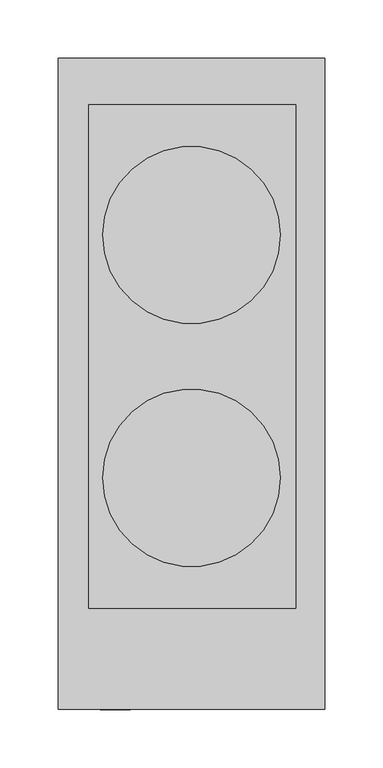
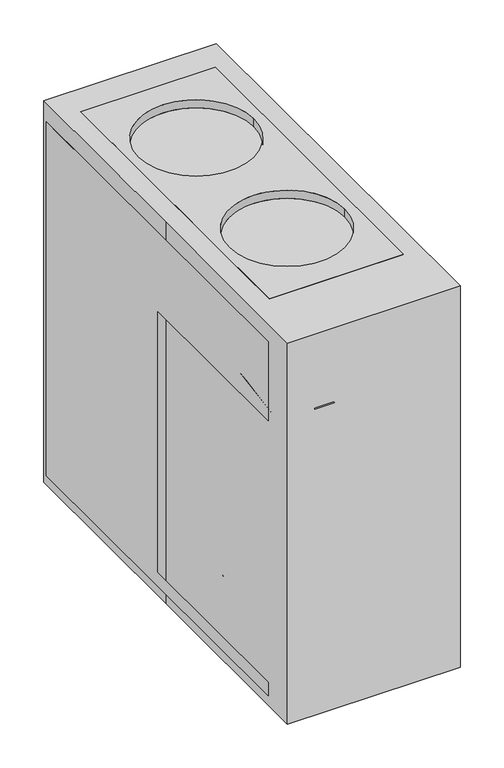
"""IFC4 building model written with IfcOpenShell, lengths in millimetres: proxy geometry."""

import ifcopenshell
import ifcopenshell.guid

model = None  # the IFC model being written
_history = None  # IfcOwnerHistory: only IFC2X3 demands one
_inside = {}  # id of a spatial element -> (the spatial element, [elements in it])
_under = {}  # id of a project, library or spatial element -> (it, [spatial elements below it])
_declared = {}  # id of a project -> (the project, [libraries it declares])
_typed = {}  # id of a type object -> (the type object, [elements of that type])
_made_of = {}  # id of a material, layer set ... -> (it, [elements and type objects made of it])


def new_model(schema):
    """Start an empty IFC model of exactly this schema.

    Asked for "IFC4X3", IfcOpenShell would pick the latest addendum, in which some entities
    have other attributes; the version numbers below select the first issue.
    IFC2X3 requires an IfcOwnerHistory on every rooted entity: one is made here for all.
    """
    global model, _history
    if schema == "IFC4X3":
        model = ifcopenshell.file(schema_version=(4, 3, 0, 0))
    else:
        model = ifcopenshell.file(schema=schema)
    _inside.clear()
    _under.clear()
    _declared.clear()
    _typed.clear()
    _made_of.clear()
    _history = None
    if model.schema == "IFC2X3":
        org = make("IfcOrganization", Name="unknown")
        user = make(
            "IfcPersonAndOrganization",
            ThePerson=make("IfcPerson", FamilyName="unknown"),
            TheOrganization=org,
        )
        app = make(
            "IfcApplication",
            ApplicationDeveloper=org,
            Version="unknown",
            ApplicationFullName="unknown",
            ApplicationIdentifier="unknown",
        )
        _history = make(
            "IfcOwnerHistory",
            OwningUser=user,
            OwningApplication=app,
            ChangeAction="ADDED",
            CreationDate=0,
        )
    return model


def make(cls, **values):
    """One entity of the class cls with the attributes given. An attribute that is None is left unset."""
    return model.create_entity(
        cls, **{name: value for name, value in values.items() if value is not None}
    )


def rooted(cls, **values):
    """An entity with a GlobalId (a new one), such as an element, a storey or a relation."""
    return make(cls, GlobalId=ifcopenshell.guid.new(), OwnerHistory=_history, **values)


def si_unit(unit_type, name, prefix=None):
    """IfcSIUnit, for example si_unit("LENGTHUNIT", "METRE", prefix="MILLI")."""
    return make("IfcSIUnit", UnitType=unit_type, Prefix=prefix, Name=name)


def assignment(units):
    """IfcUnitAssignment: the units of a project."""
    return None if units is None else make("IfcUnitAssignment", Units=units)


def point(xyz):
    """IfcCartesianPoint."""
    return None if xyz is None else make("IfcCartesianPoint", Coordinates=xyz)


def direction(xyz):
    """IfcDirection."""
    return None if xyz is None else make("IfcDirection", DirectionRatios=xyz)


def frame(location, z_axis=None, x_axis=None):
    """IfcAxis2Placement3D, a coordinate frame: its origin and axes. An axis left out is left unset."""
    return make(
        "IfcAxis2Placement3D",
        Location=point(location),
        Axis=direction(z_axis),
        RefDirection=direction(x_axis),
    )


def frame_2d(location, x_axis=None):
    """IfcAxis2Placement2D, a coordinate frame in the plane: its origin and x axis."""
    return make(
        "IfcAxis2Placement2D", Location=point(location), RefDirection=direction(x_axis)
    )


def origin():
    """The frame at (0, 0, 0) with its axes left unset."""
    return frame((0.0, 0.0, 0.0))


def origin_with_axes():
    """The frame at (0, 0, 0) with the z axis (0, 0, 1) and the x axis (1, 0, 0) written out."""
    return frame((0.0, 0.0, 0.0), z_axis=(0.0, 0.0, 1.0), x_axis=(1.0, 0.0, 0.0))


def place(relative_to, where):
    """IfcLocalPlacement: puts the frame where relative to a parent placement (None: the world)."""
    return make(
        "IfcLocalPlacement", PlacementRelTo=relative_to, RelativePlacement=where
    )


def context(
    kind, dimensions, precision=None, world=None, true_north=None, identifier=None
):
    """IfcGeometricRepresentationContext, for example the 3D "Model" context."""
    return make(
        "IfcGeometricRepresentationContext",
        ContextIdentifier=identifier,
        ContextType=kind,
        CoordinateSpaceDimension=dimensions,
        Precision=precision,
        WorldCoordinateSystem=world,
        TrueNorth=true_north,
    )


def project(units=None, contexts=None):
    """IfcProject with its units and contexts."""
    return rooted(
        "IfcProject",
        Name="project",
        RepresentationContexts=contexts,
        UnitsInContext=assignment(units),
    )


def spatial(cls, under=None, at=None, **own):
    """A site, building, storey or space (cls), placed at a placement, below another one or the project."""
    s = rooted(cls, ObjectPlacement=at, **own)
    if under is not None:
        _under.setdefault(under.id(), (under, []))[1].append(s)
    return s


def polyline(points):
    """IfcPolyline through the points."""
    return make("IfcPolyline", Points=[point(p) for p in points])


def circle_curve(where, radius):
    """IfcCircle in the frame where."""
    return make("IfcCircle", Position=where, Radius=radius)


def ellipse_curve(where, semi_axis1, semi_axis2):
    """IfcEllipse in the frame where."""
    return make(
        "IfcEllipse", Position=where, SemiAxis1=semi_axis1, SemiAxis2=semi_axis2
    )


def trimmed(basis, trim1, trim2, sense, master):
    """IfcTrimmedCurve: the piece of a basis curve between two trims."""
    return make(
        "IfcTrimmedCurve",
        BasisCurve=basis,
        Trim1=trim1,
        Trim2=trim2,
        SenseAgreement=sense,
        MasterRepresentation=master,
    )


def segment(curve, same_sense, transition):
    """IfcCompositeCurveSegment."""
    return make(
        "IfcCompositeCurveSegment",
        Transition=transition,
        SameSense=same_sense,
        ParentCurve=curve,
    )


def composite_curve(segments, self_intersect=None):
    """IfcCompositeCurve: segments joined end to end."""
    return make("IfcCompositeCurve", Segments=segments, SelfIntersect=self_intersect)


def outline(outer, holes=None, kind="AREA"):
    """IfcArbitraryClosedProfileDef: a profile drawn as a closed curve; with holes, ...WithVoids."""
    if holes is None:
        return make("IfcArbitraryClosedProfileDef", ProfileType=kind, OuterCurve=outer)
    return make(
        "IfcArbitraryProfileDefWithVoids",
        ProfileType=kind,
        OuterCurve=outer,
        InnerCurves=holes,
    )


def extrude(swept, where, along, depth):
    """IfcExtrudedAreaSolid: the profile swept, set in the frame where, extruded along a direction by depth."""
    return make(
        "IfcExtrudedAreaSolid",
        SweptArea=swept,
        Position=where,
        ExtrudedDirection=direction(along),
        Depth=depth,
    )


def shape(context_of_items, identifier, shape_type, items):
    """IfcShapeRepresentation: the items that make up one representation, for example the "Body"."""
    return make(
        "IfcShapeRepresentation",
        ContextOfItems=context_of_items,
        RepresentationIdentifier=identifier,
        RepresentationType=shape_type,
        Items=items,
    )


def source(mapping_origin, context_of_items, identifier, shape_type, items):
    """IfcRepresentationMap: a shape defined once, which mapped items show again and again."""
    return make(
        "IfcRepresentationMap",
        MappingOrigin=mapping_origin,
        MappedRepresentation=shape(context_of_items, identifier, shape_type, items),
    )


def transform(
    local_origin,
    x_axis=None,
    y_axis=None,
    z_axis=None,
    scale=None,
    scale2=None,
    scale3=None,
    uniform=True,
):
    """IfcCartesianTransformationOperator3D, or its non-uniform kind. x_axis, y_axis, z_axis: its Axis1, 2, 3."""
    if uniform:
        return make(
            "IfcCartesianTransformationOperator3D",
            Axis1=direction(x_axis),
            Axis2=direction(y_axis),
            LocalOrigin=point(local_origin),
            Scale=scale,
            Axis3=direction(z_axis),
        )
    return make(
        "IfcCartesianTransformationOperator3DnonUniform",
        Axis1=direction(x_axis),
        Axis2=direction(y_axis),
        LocalOrigin=point(local_origin),
        Scale=scale,
        Axis3=direction(z_axis),
        Scale2=scale2,
        Scale3=scale3,
    )


def mapped(mapping_source, mapping_target):
    """IfcMappedItem: shows the shape of a source again, moved by a transform."""
    return make(
        "IfcMappedItem", MappingSource=mapping_source, MappingTarget=mapping_target
    )


def made_of(thing, what):
    """Note that an element or type object is made of a material, layer set ...; save() writes the relation."""
    if what is not None:
        _made_of.setdefault(what.id(), (what, []))[1].append(thing)
    return thing


def element(
    cls,
    number,
    at=None,
    inside=None,
    cuts=None,
    type_object=None,
    material=None,
    context=None,
    identifier="Body",
    shape_type=None,
    held_by="IfcProductDefinitionShape",
    body=None,
    shapes=None,
    **own,
):
    """One element of the class cls, such as IfcWall. Its Tag is "e" and its number.

    at: its placement. inside: the storey or other place that contains it. cuts: it is an
    opening in that element (IfcRelVoidsElement). A single representation is given by context,
    identifier, shape_type and body (its items); several are given by shapes. held_by: the class
    of the entity that holds the representations. save() writes the other relations.
    """
    e = rooted(cls, Tag="e%d" % number, ObjectPlacement=at, **own)
    if body is not None:
        shapes = [shape(context, identifier, shape_type, body)]
    if shapes is not None:
        e.Representation = make(held_by, Representations=shapes)
    if inside is not None:
        _inside.setdefault(inside.id(), (inside, []))[1].append(e)
    if cuts is not None:
        rooted(
            "IfcRelVoidsElement", RelatingBuildingElement=cuts, RelatedOpeningElement=e
        )
    if type_object is not None:
        _typed.setdefault(type_object.id(), (type_object, []))[1].append(e)
    return made_of(e, material)


def aggregate(whole, parts):
    """IfcRelAggregates: a whole, such as a stair, and the parts it consists of."""
    return rooted("IfcRelAggregates", RelatingObject=whole, RelatedObjects=parts)


def save(model, path):
    """Write the relations noted so far, then the file.

    IfcRelAggregates (storeys below a building ...), IfcRelContainedInSpatialStructure (elements
    in a storey), IfcRelDefinesByType, IfcRelAssociatesMaterial and IfcRelDeclares: one each for
    every whole, place, type object, material and project.
    """
    for whole, parts in _under.values():
        aggregate(whole, parts)
    for where, things in _inside.values():
        rooted(
            "IfcRelContainedInSpatialStructure",
            RelatedElements=things,
            RelatingStructure=where,
        )
    for kind, things in _typed.values():
        rooted("IfcRelDefinesByType", RelatedObjects=things, RelatingType=kind)
    for what, things in _made_of.values():
        rooted("IfcRelAssociatesMaterial", RelatedObjects=things, RelatingMaterial=what)
    for by, libraries in _declared.values():
        rooted("IfcRelDeclares", RelatingContext=by, RelatedDefinitions=libraries)
    model.write(path)


def plane_surface(at):
    """IfcPlane: the flat surface through the origin of the frame at, square to its z axis."""
    return make("IfcPlane", Position=at)


def cylinder_surface(at, radius):
    """IfcCylindricalSurface: all points at the distance radius from the z axis of the frame at."""
    return make("IfcCylindricalSurface", Position=at, Radius=radius)


def revolved_surface(curve, axis_point, axis_direction):
    """IfcSurfaceOfRevolution: the curve turned about the line through axis_point along axis_direction."""
    return make(
        "IfcSurfaceOfRevolution",
        SweptCurve=make("IfcArbitraryOpenProfileDef", ProfileType="CURVE", Curve=curve),
        AxisPosition=make("IfcAxis1Placement", Location=point(axis_point), Axis=direction(axis_direction)),
    )


def advanced_brep(points, edges, surfaces, faces):
    """IfcAdvancedBrep: a solid bounded by faces that lie on surfaces and meet in shared edges.

    An edge is (start, end): straight between two places in points (the first is 0);
    or (start, end, curve); or (start, end, curve, False) where it runs against its curve.
    A face is (place in surfaces, loops), or (place, loops, False) where it looks against
    its surface's normal. A loop lists edges by number (the first is 1), with a minus sign
    where the edge is run from its end to its start. The first loop is the outer one.
    """
    corners = [point(p) for p in points]
    vertices = [make("IfcVertexPoint", VertexGeometry=c) for c in corners]
    made = []
    for start, end, *more in edges:
        made.append(
            make(
                "IfcEdgeCurve",
                EdgeStart=vertices[start],
                EdgeEnd=vertices[end],
                EdgeGeometry=more[0] if more else make("IfcPolyline", Points=[corners[start], corners[end]]),
                SameSense=more[1] if len(more) > 1 else True,
            )
        )
    hull = []
    for where, loops, *sense in faces:
        bounds = []
        for j, loop in enumerate(loops):
            ring = [make("IfcOrientedEdge", EdgeElement=made[abs(k) - 1], Orientation=k > 0) for k in loop]
            bounds.append(
                make(
                    "IfcFaceOuterBound" if j == 0 else "IfcFaceBound",
                    Bound=make("IfcEdgeLoop", EdgeList=ring),
                    Orientation=True,
                )
            )
        hull.append(make("IfcAdvancedFace", Bounds=bounds, FaceSurface=surfaces[where], SameSense=sense[0] if sense else True))
    return make("IfcAdvancedBrep", Outer=make("IfcClosedShell", CfsFaces=hull))


def specialty_equipment_3d6f3376(model_context):
    return source(origin(), model_context, "Body", "SolidModel", [
        extrude(outline(polyline([(-6.35, 0.0), (6.35, 0.0), (13.7065038, -50.8), (-11.6934962, -50.8), (-6.35, 0.0)])), frame((-66.3573194, -248.7924454, 469.1875481), z_axis=(0.0, -0.866025403784439, 0.49999999999999944), x_axis=(1.0, 0.0, 0.0)), (0.0, 0.0, 1.0), 6.35),
        extrude(outline(polyline([(-60.0073194, -247.65), (-72.7073194, -247.65), (-72.7073194, -234.95), (-60.0073194, -234.95), (-60.0073194, -247.65)])), frame((0.0, 0.0, 456.4875481), z_axis=(0.0, 0.0, 1.0), x_axis=(1.0, 0.0, 0.0)), (0.0, 0.0, 1.0), 12.7),
        extrude(outline(polyline([(99.1586716, -247.65), (54.7086716, -247.65), (54.7086716, -234.95), (99.1586716, -234.95), (99.1586716, -247.65)])), frame((0.0, 0.0, 482.1172372), z_axis=(0.0, 0.0, 1.0), x_axis=(1.0, 0.0, 0.0)), (0.0, 0.0, 1.0), 12.7),
        extrude(outline(polyline([(35.6586716, -247.65), (-8.7913284, -247.65), (-8.7913284, -234.95), (35.6586716, -234.95), (35.6586716, -247.65)])), frame((0.0, 0.0, 482.1172372), z_axis=(0.0, 0.0, 1.0), x_axis=(1.0, 0.0, 0.0)), (0.0, 0.0, 1.0), 12.7),
        extrude(outline(composite_curve([segment(trimmed(circle_curve(frame_2d((449.9890787, 64.52786)), 6.35), [point((449.9890787, 58.17786))], [point((449.9890787, 70.87786))], False, "CARTESIAN"), True, "CONTINUOUS"), segment(trimmed(circle_curve(frame_2d((449.9890787, 64.52786)), 6.35), [point((449.9890787, 70.87786))], [point((449.9890787, 58.17786))], False, "CARTESIAN"), True, "CONTINUOUS")], self_intersect=False)), frame((0.0, -247.65, 0.0), z_axis=(0.0, 1.0, 0.0), x_axis=(0.0, 0.0, 1.0)), (0.0, 0.0, 1.0), 12.7),
        extrude(outline(composite_curve([segment(trimmed(circle_curve(frame_2d((449.9890787, 26.42786)), 6.35), [point((449.9890787, 20.07786))], [point((449.9890787, 32.77786))], False, "CARTESIAN"), True, "CONTINUOUS"), segment(trimmed(circle_curve(frame_2d((449.9890787, 26.42786)), 6.35), [point((449.9890787, 32.77786))], [point((449.9890787, 20.07786))], False, "CARTESIAN"), True, "CONTINUOUS")], self_intersect=False)), frame((0.0, -247.65, 0.0), z_axis=(0.0, 1.0, 0.0), x_axis=(0.0, 0.0, 1.0)), (0.0, 0.0, 1.0), 12.7),
        advanced_brep(
        [(-76.2, 127.7134023, 522.1626312), (76.2, 127.7134023, 522.1626312), (-76.2, 127.7134023, 533.4), (76.2, 127.7134023, 533.4), (-76.2, -80.7485258, 522.1626312), (76.2, -80.7485258, 522.1626312), (-76.2, -80.7485258, 533.4), (76.2, -80.7485258, 533.4), (89.4998195, 239.3021594, 533.4), (-88.3001805, 239.3021594, 533.4), (-88.3001805, -192.4978406, 533.4), (89.4998195, -192.4978406, 533.4), (89.4998195, 239.3021594, 508.0), (89.4998195, -192.4978406, 508.0), (-88.3001805, -192.4978406, 508.0), (-88.3001805, 239.3021594, 508.0)],
        [
            (0, 1, circle_curve(frame((0.0, 127.7134023, 522.1626312), z_axis=(0.0, 0.0, 1.0), x_axis=(1.0, 0.0, 0.0)), 76.2)),
            (1, 0, circle_curve(frame((0.0, 127.7134023, 522.1626312), z_axis=(0.0, 0.0, 1.0), x_axis=(1.0, 0.0, 0.0)), 76.2)),
            (0, 2),
            (2, 3, circle_curve(frame((0.0, 127.7134023, 533.4), z_axis=(0.0, 0.0, 1.0), x_axis=(1.0, 0.0, 0.0)), 76.2)),
            (3, 1),
            (3, 2, circle_curve(frame((0.0, 127.7134023, 533.4), z_axis=(0.0, 0.0, 1.0), x_axis=(1.0, 0.0, 0.0)), 76.2)),
            (4, 5, circle_curve(frame((0.0, -80.7485258, 522.1626312), z_axis=(0.0, 0.0, 1.0), x_axis=(1.0, 0.0, 0.0)), 76.2)),
            (5, 4, circle_curve(frame((0.0, -80.7485258, 522.1626312), z_axis=(0.0, 0.0, 1.0), x_axis=(1.0, 0.0, 0.0)), 76.2)),
            (4, 6),
            (6, 7, circle_curve(frame((0.0, -80.7485258, 533.4), z_axis=(0.0, 0.0, 1.0), x_axis=(1.0, 0.0, 0.0)), 76.2)),
            (7, 5),
            (7, 6, circle_curve(frame((0.0, -80.7485258, 533.4), z_axis=(0.0, 0.0, 1.0), x_axis=(1.0, 0.0, 0.0)), 76.2)),
            (8, 9),
            (9, 10),
            (10, 11),
            (11, 8),
            (12, 13),
            (13, 14),
            (14, 15),
            (15, 12),
            (8, 12),
            (15, 9),
            (14, 10),
            (13, 11),
        ],
        [
            plane_surface(frame((76.2, 127.7134023, 522.1626312), z_axis=(0.0, 0.0, 1.0), x_axis=(0.0, -1.0, 0.0))),
            revolved_surface(polyline([(76.2, 127.7134023, 533.4), (76.2, 127.7134023, 522.1626312)]), (0.0, 127.7134023, 522.1626312), (0.0, 0.0, 1.0)),
            plane_surface(frame((76.2, -80.7485258, 522.1626312), z_axis=(0.0, 0.0, 1.0), x_axis=(0.0, -1.0, 0.0))),
            revolved_surface(polyline([(76.2, -80.7485258, 533.4), (76.2, -80.7485258, 522.1626312)]), (0.0, -80.7485258, 522.1626312), (0.0, 0.0, 1.0)),
            plane_surface(frame((-69.2501805, 239.3021594, 533.4), z_axis=(0.0, 0.0, 1.0), x_axis=(-1.0, 0.0, 0.0))),
            plane_surface(frame((-69.2501805, 239.3021594, 508.0), z_axis=(0.0, 0.0, -1.0), x_axis=(1.0, 0.0, 0.0))),
            plane_surface(frame((89.4998195, 239.3021594, 533.4), z_axis=(0.0, 1.0, 0.0), x_axis=(0.0, 0.0, -1.0))),
            plane_surface(frame((-88.3001805, 239.3021594, 533.4), z_axis=(-1.0, 0.0, 0.0), x_axis=(0.0, 0.0, -1.0))),
            plane_surface(frame((-88.3001805, -192.4978406, 533.4), z_axis=(0.0, -1.0, 0.0), x_axis=(0.0, 0.0, -1.0))),
            plane_surface(frame((89.4998195, -192.4978406, 533.4), z_axis=(1.0, 0.0, 0.0), x_axis=(0.0, 0.0, -1.0))),
        ],
        [
            (0, [[1, 2]]),
            (1, [[-1, 3, 4, 5]]),
            (1, [[-2, -5, 6, -3]]),
            (2, [[7, 8]]),
            (3, [[-7, 9, 10, 11]]),
            (3, [[-8, -11, 12, -9]]),
            (4, [[13, 14, 15, 16], [-4, -6], [-10, -12]]),
            (5, [[17, 18, 19, 20]]),
            (6, [[-13, 21, -20, 22]]),
            (7, [[-14, -22, -19, 23]]),
            (8, [[-15, -23, -18, 24]]),
            (9, [[-16, -24, -17, -21]]),
        ],
    ),
        extrude(outline(polyline([(-234.95, 12.7), (-234.95, 31.75), (19.05, 31.75), (19.05, 397.4233361), (-234.95, 397.4233361), (-234.95, 508.0), (273.05, 508.0), (273.05, 12.7), (-234.95, 12.7)])), frame((-114.3, 0.0, 0.0), z_axis=(1.0, 0.0, 0.0), x_axis=(0.0, 1.0, 0.0)), (0.0, 0.0, 1.0), 228.6),
        advanced_brep(
        [(-114.3, 279.4, 533.4), (-114.3, 0.0, 533.4), (-114.3, -279.4, 533.4), (114.3, -279.4, 533.4), (114.3, 279.4, 533.4), (76.2, 127.7134023, 533.4), (-76.2, 127.7134023, 533.4), (76.2, -80.7485258, 533.4), (-76.2, -80.7485258, 533.4), (-114.3, 279.4, 0.0), (114.3, 279.4, 0.0), (114.3, -279.4, 0.0), (-114.3, -279.4, 0.0), (-114.3, 0.0, 0.0), (-76.2, 127.7134023, 522.1626312), (76.2, 127.7134023, 522.1626312), (-76.2, -80.7485258, 522.1626312), (76.2, -80.7485258, 522.1626312)],
        [
            (0, 1),
            (1, 2),
            (2, 3),
            (3, 4),
            (4, 0),
            (5, 6, circle_curve(frame((0.0, 127.7134023, 533.4), z_axis=(0.0, 0.0, -1.0), x_axis=(1.0, 0.0, 0.0)), 76.2)),
            (6, 5, circle_curve(frame((0.0, 127.7134023, 533.4), z_axis=(0.0, 0.0, -1.0), x_axis=(1.0, 0.0, 0.0)), 76.2)),
            (7, 8, circle_curve(frame((0.0, -80.7485258, 533.4), z_axis=(0.0, 0.0, -1.0), x_axis=(1.0, 0.0, 0.0)), 76.2)),
            (8, 7, circle_curve(frame((0.0, -80.7485258, 533.4), z_axis=(0.0, 0.0, -1.0), x_axis=(1.0, 0.0, 0.0)), 76.2)),
            (9, 10),
            (10, 11),
            (11, 12),
            (12, 13),
            (13, 9),
            (0, 9),
            (13, 1),
            (12, 2),
            (11, 3),
            (10, 4),
            (14, 15, circle_curve(frame((0.0, 127.7134023, 522.1626312), z_axis=(0.0, 0.0, 1.0), x_axis=(1.0, 0.0, 0.0)), 76.2)),
            (15, 14, circle_curve(frame((0.0, 127.7134023, 522.1626312), z_axis=(0.0, 0.0, 1.0), x_axis=(1.0, 0.0, 0.0)), 76.2)),
            (14, 6),
            (5, 15),
            (16, 17, circle_curve(frame((0.0, -80.7485258, 522.1626312), z_axis=(0.0, 0.0, 1.0), x_axis=(1.0, 0.0, 0.0)), 76.2)),
            (17, 16, circle_curve(frame((0.0, -80.7485258, 522.1626312), z_axis=(0.0, 0.0, 1.0), x_axis=(1.0, 0.0, 0.0)), 76.2)),
            (16, 8),
            (7, 17),
        ],
        [
            plane_surface(frame((-114.3, 0.0, 533.4), z_axis=(0.0, 0.0, 1.0), x_axis=(0.0, -1.0, 0.0))),
            plane_surface(frame((-114.3, 0.0, 0.0), z_axis=(0.0, 0.0, -1.0), x_axis=(0.0, 1.0, 0.0))),
            plane_surface(frame((-114.3, 279.4, 533.4), z_axis=(-1.0, 0.0, 0.0), x_axis=(0.0, 0.0, -1.0))),
            plane_surface(frame((-114.3, 0.0, 533.4), z_axis=(-1.0, 0.0, 0.0), x_axis=(0.0, 0.0, -1.0))),
            plane_surface(frame((-114.3, -279.4, 533.4), z_axis=(0.0, -1.0, 0.0), x_axis=(0.0, 0.0, -1.0))),
            plane_surface(frame((114.3, -279.4, 533.4), z_axis=(1.0, 0.0, 0.0), x_axis=(0.0, 0.0, -1.0))),
            plane_surface(frame((114.3, 279.4, 533.4), z_axis=(0.0, 1.0, 0.0), x_axis=(0.0, 0.0, -1.0))),
            plane_surface(frame((76.2, 127.7134023, 522.1626312), z_axis=(0.0, 0.0, 1.0), x_axis=(0.0, -1.0, 0.0))),
            revolved_surface(polyline([(76.2, 127.7134023, 533.4), (76.2, 127.7134023, 522.1626312)]), (0.0, 127.7134023, 522.1626312), (0.0, 0.0, 1.0)),
            plane_surface(frame((76.2, -80.7485258, 522.1626312), z_axis=(0.0, 0.0, 1.0), x_axis=(0.0, -1.0, 0.0))),
            revolved_surface(polyline([(76.2, -80.7485258, 533.4), (76.2, -80.7485258, 522.1626312)]), (0.0, -80.7485258, 522.1626312), (0.0, 0.0, 1.0)),
        ],
        [
            (0, [[1, 2, 3, 4, 5], [6, 7], [8, 9]]),
            (1, [[10, 11, 12, 13, 14]]),
            (2, [[-1, 15, -14, 16]]),
            (3, [[-2, -16, -13, 17]]),
            (4, [[-3, -17, -12, 18]]),
            (5, [[-4, -18, -11, 19]]),
            (6, [[-5, -19, -10, -15]]),
            (7, [[20, 21]]),
            (8, [[-20, 22, -6, 23]]),
            (8, [[-21, -23, -7, -22]]),
            (9, [[24, 25]]),
            (10, [[-24, 26, -8, 27]]),
            (10, [[-25, -27, -9, -26]]),
        ],
    ),
        advanced_brep(
        [(-12.9117986, -140.1635833, 258.171536), (13.4227125, -140.1635833, 258.171536), (13.4227125, -146.5135833, 247.1730134), (-12.9117986, -146.5135833, 247.1730134), (13.4227125, -178.6584125, 280.396536), (13.4227125, -222.4331171, 272.6778745), (13.4227125, -266.5280753, 163.5390233), (13.4227125, -254.7528403, 158.7815196), (13.4227125, -211.4999829, 265.8360982), (13.4227125, -185.0084125, 269.3980134), (-12.9117986, -185.0084125, 269.3980134), (-12.9117986, -211.4999829, 265.8360982), (-12.9117986, -254.7528403, 158.7815196), (-12.9117986, -266.5280753, 163.5390233), (-12.9117986, -222.4331171, 272.6778745), (-12.9117986, -178.6584125, 280.396536), (0.0, -178.6584125, 280.396536), (0.0, -222.4331171, 272.6778745)],
        [
            (0, 1),
            (1, 2),
            (2, 3),
            (3, 0),
            (1, 4),
            (4, 5, circle_curve(frame((13.4227125, -195.9463935, 250.4528745), z_axis=(1.0, 0.0, 0.0), x_axis=(0.0, 0.5000000000000018, 0.8660254037844376)), 34.5759621)),
            (5, 6),
            (6, 7),
            (7, 8),
            (8, 9, circle_curve(frame((13.4227125, -195.9463935, 250.4528745), z_axis=(-1.0, 0.0, 0.0), x_axis=(0.0, 0.5000000000000018, 0.8660254037844376)), 21.8759621)),
            (9, 2),
            (9, 10),
            (10, 3),
            (10, 11, circle_curve(frame((-12.9117986, -195.9463935, 250.4528745), z_axis=(1.0, 0.0, 0.0), x_axis=(0.0, 0.5000000000000018, 0.8660254037844376)), 21.8759621)),
            (11, 12),
            (12, 13),
            (13, 14),
            (14, 15, circle_curve(frame((-12.9117986, -195.9463935, 250.4528745), z_axis=(-1.0, 0.0, 0.0), x_axis=(0.0, 0.5000000000000018, 0.8660254037844376)), 34.5759621)),
            (15, 0),
            (15, 16),
            (16, 4),
            (8, 11),
            (17, 16, circle_curve(frame((0.0, -195.9463935, 250.4528745), z_axis=(-1.0, 0.0, 0.0), x_axis=(0.0, 0.5000000000000018, 0.8660254037844376)), 34.5759621)),
            (14, 17),
            (17, 5),
            (6, 13),
            (12, 7),
        ],
        [
            plane_surface(frame((0.0, -140.1635833, 258.171536), z_axis=(0.0, 0.8660254037844374, -0.5000000000000023), x_axis=(1.0, 0.0, 0.0))),
            plane_surface(frame((13.4227125, -140.1635833, 258.171536), z_axis=(1.0, 0.0, 0.0), x_axis=(0.0, -0.8660254037844374, 0.5000000000000023))),
            plane_surface(frame((13.4227125, -146.5135833, 247.1730134), z_axis=(0.0, -0.5000000000000026, -0.8660254037844373), x_axis=(0.0, -0.8660254037844373, 0.5000000000000026))),
            plane_surface(frame((-12.9117986, -146.5135833, 247.1730134), z_axis=(-1.0, 0.0, 0.0), x_axis=(0.0, -0.8660254037844373, 0.5000000000000026))),
            plane_surface(frame((0.0, -140.1635833, 258.171536), z_axis=(0.0, 0.5000000000000023, 0.8660254037844374), x_axis=(0.0, -0.8660254037844374, 0.5000000000000023))),
            revolved_surface(polyline([(13.4227125, -185.00841244999995, 269.39801341082557), (-12.9117986, -185.00841244999995, 269.39801341082557)]), (0.0, -195.9463935, 250.4528745), (1.0, 0.0, 0.0)),
            cylinder_surface(frame((0.0, -195.9463935, 250.4528745), z_axis=(1.0, 0.0, 0.0), x_axis=(0.0, 0.5000000000000018, 0.8660254037844376)), 34.5759621),
            plane_surface(frame((0.0, -266.5280753, 163.5390233), z_axis=(0.0, -0.3746065934159136, -0.9271838545667869), x_axis=(1.0, 0.0, 0.0))),
            plane_surface(frame((13.4227125, -211.4999829, 265.8360982), z_axis=(0.0, 0.927183854566787, -0.37460659341591324), x_axis=(0.0, -0.37460659341591324, -0.927183854566787))),
            plane_surface(frame((0.0, -222.4331171, 272.6778745), z_axis=(0.0, -0.9271838545667869, 0.37460659341591346), x_axis=(0.0, -0.37460659341591346, -0.9271838545667869))),
        ],
        [
            (0, [[1, 2, 3, 4]]),
            (1, [[-2, 5, 6, 7, 8, 9, 10, 11]]),
            (2, [[-3, -11, 12, 13]]),
            (3, [[-4, -13, 14, 15, 16, 17, 18, 19]]),
            (4, [[-19, 20, 21, -5, -1]]),
            (5, [[-14, -12, -10, 22]]),
            (6, [[23, -20, -18, 24]]),
            (6, [[-6, -21, -23, 25]]),
            (7, [[26, -16, 27, -8]]),
            (8, [[-22, -9, -27, -15]]),
            (9, [[-25, -24, -17, -26, -7]]),
        ],
    ),
        advanced_brep(
        [(0.0, -181.2530218, 222.25), (0.0, -54.2530218, 222.25), (0.0, -54.2530218, 44.45), (0.0, -181.2530218, 44.45), (0.0, -146.1023815, 249.80937), (0.0, -89.4036621, 249.80937), (0.0, -146.1023815, 262.50937), (0.0, -89.4036621, 262.50937), (0.0, -179.0936518, 295.5006403), (0.0, -56.4123918, 295.5006403), (0.0, -117.7530218, 295.5006403), (0.0, -117.7530218, 44.45)],
        [
            (0, 1, circle_curve(frame((0.0, -117.7530218, 222.25), z_axis=(0.0, 0.0, -1.0), x_axis=(0.0, 1.0, 0.0)), 63.5)),
            (1, 2, circle_curve(frame((0.0, -123.9538288, 133.35), z_axis=(-1.0, 0.0, 0.0), x_axis=(0.0, 1.0, 0.0)), 112.966422)),
            (2, 3, circle_curve(frame((0.0, -117.7530218, 44.45), z_axis=(0.0, 0.0, 1.0), x_axis=(0.0, 1.0, 0.0)), 63.5)),
            (3, 0, circle_curve(frame((0.0, -111.5522148, 133.35), z_axis=(-1.0, 0.0, 0.0), x_axis=(0.0, -1.0, 0.0)), 112.966422)),
            (1, 0, circle_curve(frame((0.0, -117.7530218, 222.25), z_axis=(0.0, 0.0, -1.0), x_axis=(0.0, 1.0, 0.0)), 63.5)),
            (3, 2, circle_curve(frame((0.0, -117.7530218, 44.45), z_axis=(0.0, 0.0, 1.0), x_axis=(0.0, 1.0, 0.0)), 63.5)),
            (4, 5, circle_curve(frame((0.0, -117.7530218, 249.80937), z_axis=(0.0, 0.0, -1.0), x_axis=(0.0, 1.0, 0.0)), 28.3493597)),
            (5, 1),
            (0, 4),
            (5, 4, circle_curve(frame((0.0, -117.7530218, 249.80937), z_axis=(0.0, 0.0, -1.0), x_axis=(0.0, 1.0, 0.0)), 28.3493597)),
            (6, 7, circle_curve(frame((0.0, -117.7530218, 262.50937), z_axis=(0.0, 0.0, -1.0), x_axis=(0.0, 1.0, 0.0)), 28.3493597)),
            (7, 5),
            (4, 6),
            (7, 6, circle_curve(frame((0.0, -117.7530218, 262.50937), z_axis=(0.0, 0.0, -1.0), x_axis=(0.0, 1.0, 0.0)), 28.3493597)),
            (8, 9, circle_curve(frame((0.0, -117.7530218, 295.5006403), z_axis=(0.0, 0.0, -1.0), x_axis=(0.0, 1.0, 0.0)), 61.34063)),
            (9, 7),
            (6, 8),
            (9, 8, circle_curve(frame((0.0, -117.7530218, 295.5006403), z_axis=(0.0, 0.0, -1.0), x_axis=(0.0, 1.0, 0.0)), 61.34063)),
            (10, 9),
            (8, 10),
            (2, 11),
            (11, 3),
        ],
        [
            revolved_surface(trimmed(ellipse_curve(frame((0.0, -123.9538288, 133.35), z_axis=(1.0, 0.0, 0.0), x_axis=(0.0, 1.0, 0.0)), 112.966422, 112.966422), [point((0.0, -54.2530218, 44.45))], [point((0.0, -54.2530218, 222.25))], True, "CARTESIAN"), (0.0, -117.7530218, 444.5), (0.0, 0.0, 1.0)),
            revolved_surface(polyline([(0.0, -54.2530218, 222.25), (0.0, -89.4036621, 249.80937)]), (0.0, -117.7530218, 444.5), (0.0, 0.0, 1.0)),
            cylinder_surface(frame((0.0, -117.7530218, 444.5), z_axis=(0.0, 0.0, 1.0), x_axis=(0.0, 1.0, 0.0)), 28.3493597),
            revolved_surface(polyline([(0.0, -89.4036621, 262.50937), (0.0, -56.4123918, 295.5006403)]), (0.0, -117.7530218, 444.5), (0.0, 0.0, 1.0)),
            plane_surface(frame((0.0, -117.7530218, 295.5006403), z_axis=(0.0, 0.0, 1.0), x_axis=(0.0, 1.0, 0.0))),
            plane_surface(frame((0.0, -117.7530218, 44.45), z_axis=(0.0, 0.0, -1.0), x_axis=(0.0, 1.0, 0.0))),
        ],
        [
            (0, [[1, 2, 3, 4]]),
            (0, [[5, -4, 6, -2]]),
            (1, [[7, 8, -1, 9]]),
            (1, [[10, -9, -5, -8]]),
            (2, [[11, 12, -7, 13]]),
            (2, [[14, -13, -10, -12]]),
            (3, [[15, 16, -11, 17]]),
            (3, [[18, -17, -14, -16]]),
            (4, [[19, -15, 20]]),
            (4, [[-20, -18, -19]]),
            (5, [[-3, 21, 22]]),
            (5, [[-6, -22, -21]]),
        ],
    ),
        advanced_brep(
        [(-76.2, -117.7530218, 370.4823042), (76.2, -117.7530218, 370.4823042), (-38.1, -117.7530218, 305.756644), (38.1, -117.7530218, 305.756644)],
        [
            (0, 1, circle_curve(frame((0.0, -117.7530218, 370.4823042), z_axis=(0.0, 0.0, 1.0), x_axis=(-1.0, 0.0, 0.0)), 76.2)),
            (1, 0, circle_curve(frame((0.0, -117.7530218, 370.4823042), z_axis=(0.0, 0.0, 1.0), x_axis=(1.0, 0.0, 0.0)), 76.2)),
            (2, 3, circle_curve(frame((0.0, -117.7530218, 305.756644), z_axis=(0.0, 0.0, -1.0), x_axis=(1.0, 0.0, 0.0)), 38.1)),
            (3, 2, circle_curve(frame((0.0, -117.7530218, 305.756644), z_axis=(0.0, 0.0, -1.0), x_axis=(-1.0, 0.0, 0.0)), 38.1)),
            (3, 1),
            (0, 2),
        ],
        [
            plane_surface(frame((0.0, -117.7530218, 370.4823042), z_axis=(0.0, 0.0, 1.0), x_axis=(0.0, -1.0, 0.0))),
            plane_surface(frame((0.0, -117.7530218, 305.756644), z_axis=(0.0, 0.0, -1.0), x_axis=(0.0, -1.0, 0.0))),
            revolved_surface(polyline([(38.09999997056809, -117.7530218, 305.756644), (76.2, -117.7530218, 370.4823042)]), (0.0, -117.7530218, 241.0309839), (0.0, 0.0, 1.0)),
            revolved_surface(polyline([(-38.09999997056809, -117.7530218, 305.756644), (-76.2, -117.7530218, 370.4823042)]), (0.0, -117.7530218, 241.0309839), (0.0, 0.0, 1.0)),
        ],
        [
            (0, [[1, 2]]),
            (1, [[3, 4]]),
            (2, [[-4, 5, -1, 6]]),
            (3, [[-3, -6, -2, -5]]),
        ],
    ),
        extrude(outline(composite_curve([segment(trimmed(circle_curve(frame_2d((0.0, -117.7530218)), 76.2), [point((-76.2, -117.7530218))], [point((76.2, -117.7530218))], False, "CARTESIAN"), True, "CONTINUOUS"), segment(trimmed(circle_curve(frame_2d((0.0, -117.7530218)), 76.2), [point((76.2, -117.7530218))], [point((-76.2, -117.7530218))], False, "CARTESIAN"), True, "CONTINUOUS")], self_intersect=False)), frame((0.0, 0.0, 370.4823042), z_axis=(0.0, 0.0, 1.0), x_axis=(1.0, 0.0, 0.0)), (0.0, 0.0, 1.0), 26.9410319),
        extrude(outline(composite_curve([segment(trimmed(circle_curve(frame_2d((82.683617, 53.3907009)), 6.35), [point((89.033617, 53.3907009))], [point((76.333617, 53.3907009))], False, "CARTESIAN"), True, "CONTINUOUS"), segment(trimmed(circle_curve(frame_2d((82.683617, 53.3907009)), 6.35), [point((76.333617, 53.3907009))], [point((89.033617, 53.3907009))], False, "CARTESIAN"), True, "CONTINUOUS")], self_intersect=False)), origin_with_axes(), (0.0, 0.0, 1.0), 12.7),
        extrude(outline(composite_curve([segment(trimmed(circle_curve(frame_2d((-82.683617, 53.3907009)), 6.35), [point((-89.033617, 53.3907009))], [point((-76.333617, 53.3907009))], False, "CARTESIAN"), True, "CONTINUOUS"), segment(trimmed(circle_curve(frame_2d((-82.683617, 53.3907009)), 6.35), [point((-76.333617, 53.3907009))], [point((-89.033617, 53.3907009))], False, "CARTESIAN"), True, "CONTINUOUS")], self_intersect=False)), origin_with_axes(), (0.0, 0.0, 1.0), 12.7),
        extrude(outline(composite_curve([segment(trimmed(circle_curve(frame_2d((0.0, -117.7530218)), 76.2), [point((-76.2, -117.7530218))], [point((76.2, -117.7530218))], False, "CARTESIAN"), True, "CONTINUOUS"), segment(trimmed(circle_curve(frame_2d((0.0, -117.7530218)), 76.2), [point((76.2, -117.7530218))], [point((-76.2, -117.7530218))], False, "CARTESIAN"), True, "CONTINUOUS")], self_intersect=False)), frame((0.0, 0.0, 31.75), z_axis=(0.0, 0.0, 1.0), x_axis=(1.0, 0.0, 0.0)), (0.0, 0.0, 1.0), 12.7),
        extrude(outline(composite_curve([segment(trimmed(circle_curve(frame_2d((82.683617, -200.6092991)), 6.35), [point((89.033617, -200.6092991))], [point((76.333617, -200.6092991))], False, "CARTESIAN"), True, "CONTINUOUS"), segment(trimmed(circle_curve(frame_2d((82.683617, -200.6092991)), 6.35), [point((76.333617, -200.6092991))], [point((89.033617, -200.6092991))], False, "CARTESIAN"), True, "CONTINUOUS")], self_intersect=False)), origin_with_axes(), (0.0, 0.0, 1.0), 12.7),
        extrude(outline(composite_curve([segment(trimmed(circle_curve(frame_2d((-82.683617, -200.6092991)), 6.35), [point((-89.033617, -200.6092991))], [point((-76.333617, -200.6092991))], False, "CARTESIAN"), True, "CONTINUOUS"), segment(trimmed(circle_curve(frame_2d((-82.683617, -200.6092991)), 6.35), [point((-76.333617, -200.6092991))], [point((-89.033617, -200.6092991))], False, "CARTESIAN"), True, "CONTINUOUS")], self_intersect=False)), origin_with_axes(), (0.0, 0.0, 1.0), 12.7),
        extrude(outline(composite_curve([segment(trimmed(circle_curve(frame_2d((82.683617, 243.8907009)), 6.35), [point((89.033617, 243.8907009))], [point((76.333617, 243.8907009))], False, "CARTESIAN"), True, "CONTINUOUS"), segment(trimmed(circle_curve(frame_2d((82.683617, 243.8907009)), 6.35), [point((76.333617, 243.8907009))], [point((89.033617, 243.8907009))], False, "CARTESIAN"), True, "CONTINUOUS")], self_intersect=False)), origin_with_axes(), (0.0, 0.0, 1.0), 12.7),
        extrude(outline(composite_curve([segment(trimmed(circle_curve(frame_2d((-82.683617, 243.8907009)), 6.35), [point((-89.033617, 243.8907009))], [point((-76.333617, 243.8907009))], False, "CARTESIAN"), True, "CONTINUOUS"), segment(trimmed(circle_curve(frame_2d((-82.683617, 243.8907009)), 6.35), [point((-76.333617, 243.8907009))], [point((-89.033617, 243.8907009))], False, "CARTESIAN"), True, "CONTINUOUS")], self_intersect=False)), origin_with_axes(), (0.0, 0.0, 1.0), 12.7),
    ])


if __name__ == "__main__":
    model = new_model("IFC4")
    model_context = context("Model", 3, world=origin())
    ifc_project = project(units=[si_unit("LENGTHUNIT", "METRE", prefix="MILLI")], contexts=[model_context])
    site = spatial("IfcSite", under=ifc_project)
    building = spatial("IfcBuilding", under=site)
    placement = place(None, origin())
    specialty_equipment_shape = specialty_equipment_3d6f3376(model_context)
    element("IfcBuildingElementProxy", 1, Name="Specialty Equipment", at=placement, inside=building, context=model_context, shape_type="MappedRepresentation", body=[
        mapped(specialty_equipment_shape, transform((0.0, 0.0, 0.0), x_axis=(1.0, 0.0, 0.0), y_axis=(0.0, 1.0, 0.0), z_axis=(0.0, 0.0, 1.0))),
    ])
    save(model, "model.ifc")
